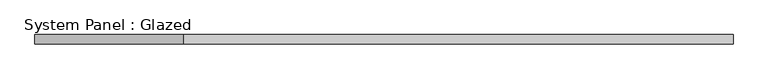
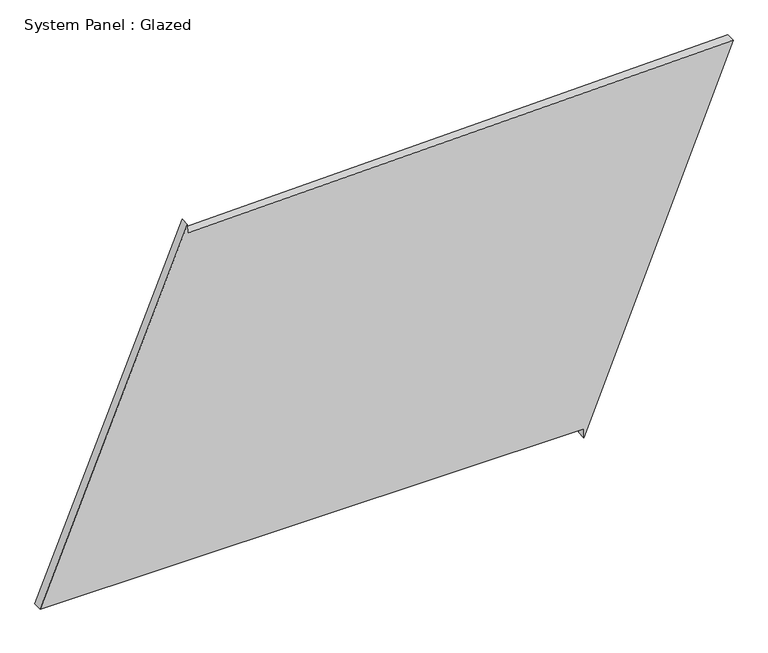
"""IFC4 building model written with IfcOpenShell, lengths in millimetres: plate geometry, System Panel : Glazed."""

from ifc_helpers import new_model, si_unit, frame, origin, place, context, project, spatial, polyline, outline, extrude, source, transform, mapped, element, save


def system_panel_glazed_c4516b6e(model_context):
    return source(origin(), model_context, "Body", "SweptSolid", [
        extrude(outline(polyline([(25.0, 539.3881139), (0.0, 539.3881139), (1007.616593, 947.3677022), (971.5742035, -544.2683482), (996.5669085, -544.8722468), (25.0, -947.3677022), (25.0, 539.3881139)])), frame((0.0, -49.5, 0.0), z_axis=(0.0, 1.0, 0.0), x_axis=(0.0, 0.0, 1.0)), (0.0, 0.0, 1.0), 25.0),
    ])


if __name__ == "__main__":
    model = new_model("IFC4")
    model_context = context("Model", 3, world=origin())
    ifc_project = project(units=[si_unit("LENGTHUNIT", "METRE", prefix="MILLI")], contexts=[model_context])
    site = spatial("IfcSite", under=ifc_project)
    building = spatial("IfcBuilding", under=site)
    placement = place(None, origin())
    system_panel_glazed_shape = system_panel_glazed_c4516b6e(model_context)
    element("IfcPlate", 1, ObjectType="System Panel : Glazed", at=placement, inside=building, context=model_context, shape_type="MappedRepresentation", body=[
        mapped(system_panel_glazed_shape, transform((0.0, 0.0, 0.0), x_axis=(1.0, 0.0, 0.0), y_axis=(0.0, 1.0, 0.0), z_axis=(0.0, 0.0, 1.0))),
    ])
    save(model, "model.ifc")
